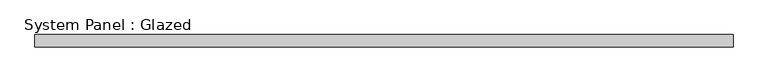
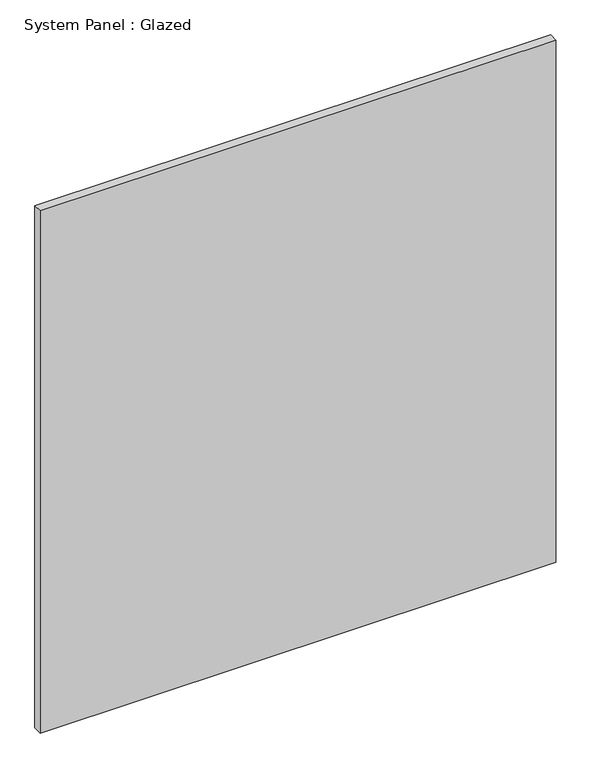
"""IFC4 building model written with IfcOpenShell, lengths in millimetres: plate geometry, System Panel : Glazed."""

from ifc_helpers import new_model, si_unit, origin, origin_with_axes, place, context, project, spatial, polyline, outline, extrude, source, transform, mapped, element, save


def system_panel_glazed_c472dd37(model_context):
    return source(origin(), model_context, "Body", "SweptSolid", [
        extrude(outline(polyline([(712.5, 24.5), (-712.5, 24.5), (-712.5, 49.5), (712.5, 49.5), (712.5, 24.5)])), origin_with_axes(), (0.0, 0.0, 1.0), 1525.0),
    ])


if __name__ == "__main__":
    model = new_model("IFC4")
    model_context = context("Model", 3, world=origin())
    ifc_project = project(units=[si_unit("LENGTHUNIT", "METRE", prefix="MILLI")], contexts=[model_context])
    site = spatial("IfcSite", under=ifc_project)
    building = spatial("IfcBuilding", under=site)
    placement = place(None, origin())
    system_panel_glazed_shape = system_panel_glazed_c472dd37(model_context)
    element("IfcPlate", 1, ObjectType="System Panel : Glazed", at=placement, inside=building, context=model_context, shape_type="MappedRepresentation", body=[
        mapped(system_panel_glazed_shape, transform((0.0, 0.0, 0.0), x_axis=(1.0, 0.0, 0.0), y_axis=(0.0, 1.0, 0.0), z_axis=(0.0, 0.0, 1.0))),
    ])
    save(model, "model.ifc")
